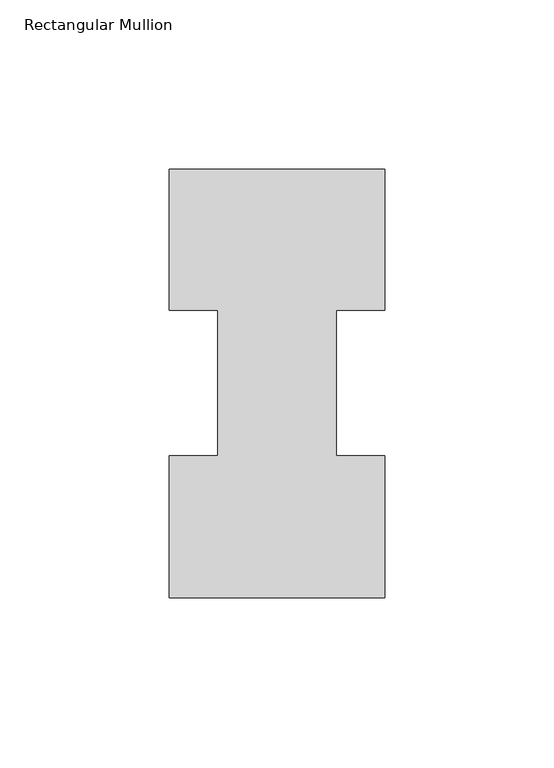
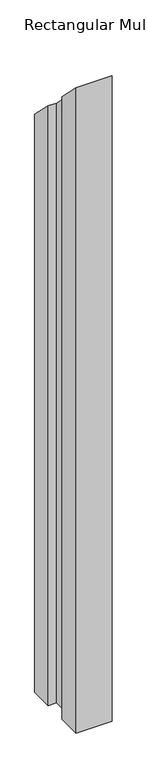
"""IFC4 building model written with IfcOpenShell, lengths in millimetres: member geometry, Rectangular Mullion."""

from ifc_helpers import new_model, si_unit, origin, place, context, project, spatial, faceted_brep, source, transform, mapped, element, save


def rectangular_mullion_34eb2d52(model_context):
    return source(origin(), model_context, "Body", "Brep", [
        faceted_brep([(-63.5, 0.04445, -1206.29045), (-63.5, 42.08145, -1206.29045), (-49.2125, 42.08145, -1206.29045), (-49.2125, 84.93125, -1206.29045), (-63.5, 84.93125, -1206.29045), (-63.5, 126.53645, -1206.29045), (0.0, 126.53645, -1206.29045), (0.0, 84.93125, -1206.29045), (-14.2748, 84.93125, -1206.29045), (-14.2748, 42.08145, -1206.29045), (0.0, 42.08145, -1206.29045), (0.0, 0.04445, -1206.29045), (0.0, 0.04445, -0.04445), (-63.5, 0.04445, -0.04445), (0.0, 42.08145, -42.08145), (-14.2748, 42.08145, -42.08145), (-14.2748, 84.93125, -84.93125), (0.0, 84.93125, -84.93125), (0.0, 126.53645, -126.53645), (-63.5, 126.53645, -126.53645), (-63.5, 84.93125, -84.93125), (-49.2125, 84.93125, -84.93125), (-49.2125, 42.08145, -42.08145), (-63.5, 42.08145, -42.08145)], [[[0, 1, 2, 3, 4, 5, 6, 7, 8, 9, 10, 11]], [[12, 13, 0, 11]], [[14, 12, 11, 10]], [[15, 14, 10, 9]], [[16, 15, 9, 8]], [[17, 16, 8, 7]], [[18, 17, 7, 6]], [[19, 18, 6, 5]], [[20, 19, 5, 4]], [[21, 20, 4, 3]], [[22, 21, 3, 2]], [[23, 22, 2, 1]], [[13, 23, 1, 0]], [[13, 12, 14, 15, 16, 17, 18, 19, 20, 21, 22, 23]]]),
    ])


if __name__ == "__main__":
    model = new_model("IFC4")
    model_context = context("Model", 3, world=origin())
    ifc_project = project(units=[si_unit("LENGTHUNIT", "METRE", prefix="MILLI")], contexts=[model_context])
    site = spatial("IfcSite", under=ifc_project)
    building = spatial("IfcBuilding", under=site)
    placement = place(None, origin())
    rectangular_mullion_shape = rectangular_mullion_34eb2d52(model_context)
    element("IfcMember", 1, ObjectType="Rectangular Mullion", at=placement, inside=building, context=model_context, shape_type="MappedRepresentation", body=[
        mapped(rectangular_mullion_shape, transform((0.0, 0.0, 0.0), x_axis=(1.0, 0.0, 0.0), y_axis=(0.0, 1.0, 0.0), z_axis=(0.0, 0.0, 1.0))),
    ])
    save(model, "model.ifc")
